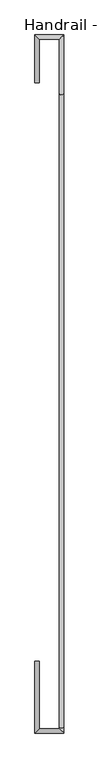
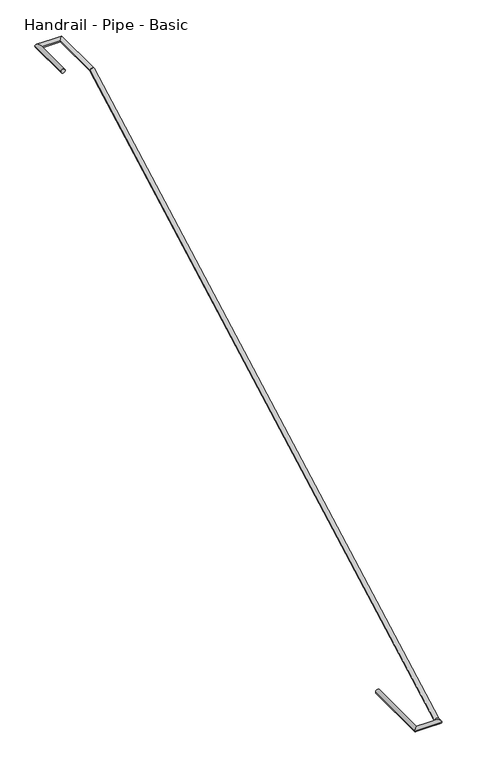
"""IFC4 building model written with IfcOpenShell, lengths in millimetres: railing geometry, Handrail - Pipe - Basic."""

import ifcopenshell
import ifcopenshell.guid

model = None  # the IFC model being written
_history = None  # IfcOwnerHistory: only IFC2X3 demands one
_inside = {}  # id of a spatial element -> (the spatial element, [elements in it])
_under = {}  # id of a project, library or spatial element -> (it, [spatial elements below it])
_declared = {}  # id of a project -> (the project, [libraries it declares])
_typed = {}  # id of a type object -> (the type object, [elements of that type])
_made_of = {}  # id of a material, layer set ... -> (it, [elements and type objects made of it])


def new_model(schema):
    """Start an empty IFC model of exactly this schema.

    Asked for "IFC4X3", IfcOpenShell would pick the latest addendum, in which some entities
    have other attributes; the version numbers below select the first issue.
    IFC2X3 requires an IfcOwnerHistory on every rooted entity: one is made here for all.
    """
    global model, _history
    if schema == "IFC4X3":
        model = ifcopenshell.file(schema_version=(4, 3, 0, 0))
    else:
        model = ifcopenshell.file(schema=schema)
    _inside.clear()
    _under.clear()
    _declared.clear()
    _typed.clear()
    _made_of.clear()
    _history = None
    if model.schema == "IFC2X3":
        org = make("IfcOrganization", Name="unknown")
        user = make(
            "IfcPersonAndOrganization",
            ThePerson=make("IfcPerson", FamilyName="unknown"),
            TheOrganization=org,
        )
        app = make(
            "IfcApplication",
            ApplicationDeveloper=org,
            Version="unknown",
            ApplicationFullName="unknown",
            ApplicationIdentifier="unknown",
        )
        _history = make(
            "IfcOwnerHistory",
            OwningUser=user,
            OwningApplication=app,
            ChangeAction="ADDED",
            CreationDate=0,
        )
    return model


def make(cls, **values):
    """One entity of the class cls with the attributes given. An attribute that is None is left unset."""
    return model.create_entity(
        cls, **{name: value for name, value in values.items() if value is not None}
    )


def rooted(cls, **values):
    """An entity with a GlobalId (a new one), such as an element, a storey or a relation."""
    return make(cls, GlobalId=ifcopenshell.guid.new(), OwnerHistory=_history, **values)


def si_unit(unit_type, name, prefix=None):
    """IfcSIUnit, for example si_unit("LENGTHUNIT", "METRE", prefix="MILLI")."""
    return make("IfcSIUnit", UnitType=unit_type, Prefix=prefix, Name=name)


def assignment(units):
    """IfcUnitAssignment: the units of a project."""
    return None if units is None else make("IfcUnitAssignment", Units=units)


def point(xyz):
    """IfcCartesianPoint."""
    return None if xyz is None else make("IfcCartesianPoint", Coordinates=xyz)


def direction(xyz):
    """IfcDirection."""
    return None if xyz is None else make("IfcDirection", DirectionRatios=xyz)


def frame(location, z_axis=None, x_axis=None):
    """IfcAxis2Placement3D, a coordinate frame: its origin and axes. An axis left out is left unset."""
    return make(
        "IfcAxis2Placement3D",
        Location=point(location),
        Axis=direction(z_axis),
        RefDirection=direction(x_axis),
    )


def origin():
    """The frame at (0, 0, 0) with its axes left unset."""
    return frame((0.0, 0.0, 0.0))


def place(relative_to, where):
    """IfcLocalPlacement: puts the frame where relative to a parent placement (None: the world)."""
    return make(
        "IfcLocalPlacement", PlacementRelTo=relative_to, RelativePlacement=where
    )


def context(
    kind, dimensions, precision=None, world=None, true_north=None, identifier=None
):
    """IfcGeometricRepresentationContext, for example the 3D "Model" context."""
    return make(
        "IfcGeometricRepresentationContext",
        ContextIdentifier=identifier,
        ContextType=kind,
        CoordinateSpaceDimension=dimensions,
        Precision=precision,
        WorldCoordinateSystem=world,
        TrueNorth=true_north,
    )


def project(units=None, contexts=None):
    """IfcProject with its units and contexts."""
    return rooted(
        "IfcProject",
        Name="project",
        RepresentationContexts=contexts,
        UnitsInContext=assignment(units),
    )


def spatial(cls, under=None, at=None, **own):
    """A site, building, storey or space (cls), placed at a placement, below another one or the project."""
    s = rooted(cls, ObjectPlacement=at, **own)
    if under is not None:
        _under.setdefault(under.id(), (under, []))[1].append(s)
    return s


def circle_curve(where, radius):
    """IfcCircle in the frame where."""
    return make("IfcCircle", Position=where, Radius=radius)


def ellipse_curve(where, semi_axis1, semi_axis2):
    """IfcEllipse in the frame where."""
    return make(
        "IfcEllipse", Position=where, SemiAxis1=semi_axis1, SemiAxis2=semi_axis2
    )


def shape(context_of_items, identifier, shape_type, items):
    """IfcShapeRepresentation: the items that make up one representation, for example the "Body"."""
    return make(
        "IfcShapeRepresentation",
        ContextOfItems=context_of_items,
        RepresentationIdentifier=identifier,
        RepresentationType=shape_type,
        Items=items,
    )


def source(mapping_origin, context_of_items, identifier, shape_type, items):
    """IfcRepresentationMap: a shape defined once, which mapped items show again and again."""
    return make(
        "IfcRepresentationMap",
        MappingOrigin=mapping_origin,
        MappedRepresentation=shape(context_of_items, identifier, shape_type, items),
    )


def transform(
    local_origin,
    x_axis=None,
    y_axis=None,
    z_axis=None,
    scale=None,
    scale2=None,
    scale3=None,
    uniform=True,
):
    """IfcCartesianTransformationOperator3D, or its non-uniform kind. x_axis, y_axis, z_axis: its Axis1, 2, 3."""
    if uniform:
        return make(
            "IfcCartesianTransformationOperator3D",
            Axis1=direction(x_axis),
            Axis2=direction(y_axis),
            LocalOrigin=point(local_origin),
            Scale=scale,
            Axis3=direction(z_axis),
        )
    return make(
        "IfcCartesianTransformationOperator3DnonUniform",
        Axis1=direction(x_axis),
        Axis2=direction(y_axis),
        LocalOrigin=point(local_origin),
        Scale=scale,
        Axis3=direction(z_axis),
        Scale2=scale2,
        Scale3=scale3,
    )


def mapped(mapping_source, mapping_target):
    """IfcMappedItem: shows the shape of a source again, moved by a transform."""
    return make(
        "IfcMappedItem", MappingSource=mapping_source, MappingTarget=mapping_target
    )


def made_of(thing, what):
    """Note that an element or type object is made of a material, layer set ...; save() writes the relation."""
    if what is not None:
        _made_of.setdefault(what.id(), (what, []))[1].append(thing)
    return thing


def element(
    cls,
    number,
    at=None,
    inside=None,
    cuts=None,
    type_object=None,
    material=None,
    context=None,
    identifier="Body",
    shape_type=None,
    held_by="IfcProductDefinitionShape",
    body=None,
    shapes=None,
    **own,
):
    """One element of the class cls, such as IfcWall. Its Tag is "e" and its number.

    at: its placement. inside: the storey or other place that contains it. cuts: it is an
    opening in that element (IfcRelVoidsElement). A single representation is given by context,
    identifier, shape_type and body (its items); several are given by shapes. held_by: the class
    of the entity that holds the representations. save() writes the other relations.
    """
    e = rooted(cls, Tag="e%d" % number, ObjectPlacement=at, **own)
    if body is not None:
        shapes = [shape(context, identifier, shape_type, body)]
    if shapes is not None:
        e.Representation = make(held_by, Representations=shapes)
    if inside is not None:
        _inside.setdefault(inside.id(), (inside, []))[1].append(e)
    if cuts is not None:
        rooted(
            "IfcRelVoidsElement", RelatingBuildingElement=cuts, RelatedOpeningElement=e
        )
    if type_object is not None:
        _typed.setdefault(type_object.id(), (type_object, []))[1].append(e)
    return made_of(e, material)


def aggregate(whole, parts):
    """IfcRelAggregates: a whole, such as a stair, and the parts it consists of."""
    return rooted("IfcRelAggregates", RelatingObject=whole, RelatedObjects=parts)


def save(model, path):
    """Write the relations noted so far, then the file.

    IfcRelAggregates (storeys below a building ...), IfcRelContainedInSpatialStructure (elements
    in a storey), IfcRelDefinesByType, IfcRelAssociatesMaterial and IfcRelDeclares: one each for
    every whole, place, type object, material and project.
    """
    for whole, parts in _under.values():
        aggregate(whole, parts)
    for where, things in _inside.values():
        rooted(
            "IfcRelContainedInSpatialStructure",
            RelatedElements=things,
            RelatingStructure=where,
        )
    for kind, things in _typed.values():
        rooted("IfcRelDefinesByType", RelatedObjects=things, RelatingType=kind)
    for what, things in _made_of.values():
        rooted("IfcRelAssociatesMaterial", RelatedObjects=things, RelatingMaterial=what)
    for by, libraries in _declared.values():
        rooted("IfcRelDeclares", RelatingContext=by, RelatedDefinitions=libraries)
    model.write(path)


def plane_surface(at):
    """IfcPlane: the flat surface through the origin of the frame at, square to its z axis."""
    return make("IfcPlane", Position=at)


def cylinder_surface(at, radius):
    """IfcCylindricalSurface: all points at the distance radius from the z axis of the frame at."""
    return make("IfcCylindricalSurface", Position=at, Radius=radius)


def advanced_brep(points, edges, surfaces, faces):
    """IfcAdvancedBrep: a solid bounded by faces that lie on surfaces and meet in shared edges.

    An edge is (start, end): straight between two places in points (the first is 0);
    or (start, end, curve); or (start, end, curve, False) where it runs against its curve.
    A face is (place in surfaces, loops), or (place, loops, False) where it looks against
    its surface's normal. A loop lists edges by number (the first is 1), with a minus sign
    where the edge is run from its end to its start. The first loop is the outer one.
    """
    corners = [point(p) for p in points]
    vertices = [make("IfcVertexPoint", VertexGeometry=c) for c in corners]
    made = []
    for start, end, *more in edges:
        made.append(
            make(
                "IfcEdgeCurve",
                EdgeStart=vertices[start],
                EdgeEnd=vertices[end],
                EdgeGeometry=more[0] if more else make("IfcPolyline", Points=[corners[start], corners[end]]),
                SameSense=more[1] if len(more) > 1 else True,
            )
        )
    hull = []
    for where, loops, *sense in faces:
        bounds = []
        for j, loop in enumerate(loops):
            ring = [make("IfcOrientedEdge", EdgeElement=made[abs(k) - 1], Orientation=k > 0) for k in loop]
            bounds.append(
                make(
                    "IfcFaceOuterBound" if j == 0 else "IfcFaceBound",
                    Bound=make("IfcEdgeLoop", EdgeList=ring),
                    Orientation=True,
                )
            )
        hull.append(make("IfcAdvancedFace", Bounds=bounds, FaceSurface=surfaces[where], SameSense=sense[0] if sense else True))
    return make("IfcAdvancedBrep", Outer=make("IfcClosedShell", CfsFaces=hull))


def handrail_pipe_basic_e7539605(model_context):
    return source(origin(), model_context, "Body", "AdvancedBrep", [
        advanced_brep(
        [(-3668.3805358, -3065.9564983, 666.75), (-3706.4805358, -3065.9564983, 666.75), (-3706.4805358, 2242.6435017, 3562.35), (-3668.3805358, 2242.6435017, 3562.35), (-3871.5805358, -2512.0141343, 666.75), (-3909.6805358, -2512.0141343, 666.75), (-3871.5805358, -3077.1641343, 666.75), (-3909.6805358, -3115.2641343, 666.75), (-3706.4805358, -3077.1641343, 666.75), (-3668.3805358, -3115.2641343, 666.75), (-3706.4805358, 2701.3358657, 3562.35), (-3668.3805358, 2739.4358657, 3562.35), (-3871.5805358, 2701.3358657, 3562.35), (-3909.6805358, 2739.4358657, 3562.35), (-3871.5805358, 2339.3858657, 3562.35), (-3909.6805358, 2339.3858657, 3562.35)],
        [
            (0, 1, ellipse_curve(frame((-3687.4305358, -3065.9564983, 666.75), z_axis=(0.0, 0.9689931818424691, 0.24708746132252005), x_axis=(0.0, 0.24708746132252063, -0.9689931818424687)), 19.6595811, 19.05)),
            (1, 2),
            (2, 3, ellipse_curve(frame((-3687.4305358, 2242.6435017, 3562.35), z_axis=(0.0, -0.9689931818424691, -0.24708746132252002), x_axis=(0.0, 0.24708746132252063, -0.9689931818424689)), 19.6595811, 19.05)),
            (3, 0),
            (1, 0, ellipse_curve(frame((-3687.4305358, -3065.9564983, 666.75), z_axis=(0.0, 0.9689931818424691, 0.24708746132252005), x_axis=(0.0, 0.24708746132252063, -0.9689931818424687)), 19.6595811, 19.05)),
            (3, 2, ellipse_curve(frame((-3687.4305358, 2242.6435017, 3562.35), z_axis=(0.0, -0.9689931818424691, -0.24708746132252002), x_axis=(0.0, 0.24708746132252063, -0.9689931818424689)), 19.6595811, 19.05)),
            (4, 5, circle_curve(frame((-3890.6305358, -2512.0141343, 666.75), z_axis=(0.0, 1.0, 0.0), x_axis=(-1.0, 0.0, 0.0)), 19.05)),
            (5, 4, circle_curve(frame((-3890.6305358, -2512.0141343, 666.75), z_axis=(0.0, 1.0, 0.0), x_axis=(-1.0, 0.0, 0.0)), 19.05)),
            (4, 6),
            (6, 7, ellipse_curve(frame((-3890.6305358, -3096.2141343, 666.75), z_axis=(-0.7071067811865454, 0.7071067811865497, 0.0), x_axis=(0.7071067811865498, 0.7071067811865454, 0.0)), 26.9407684, 19.05)),
            (7, 5),
            (7, 6, ellipse_curve(frame((-3890.6305358, -3096.2141343, 666.75), z_axis=(-0.7071067811865454, 0.7071067811865497, 0.0), x_axis=(0.7071067811865498, 0.7071067811865454, 0.0)), 26.9407684, 19.05)),
            (6, 8),
            (8, 9, ellipse_curve(frame((-3687.4305358, -3096.2141343, 666.75), z_axis=(-0.7071067811865496, -0.7071067811865454, 0.0), x_axis=(-0.7071067811865455, 0.7071067811865496, 0.0)), 26.9407684, 19.05)),
            (9, 7),
            (9, 8, ellipse_curve(frame((-3687.4305358, -3096.2141343, 666.75), z_axis=(-0.7071067811865496, -0.7071067811865454, 0.0), x_axis=(-0.7071067811865455, 0.7071067811865496, 0.0)), 26.9407684, 19.05)),
            (8, 1),
            (0, 9),
            (2, 10),
            (10, 11, ellipse_curve(frame((-3687.4305358, 2720.3858657, 3562.35), z_axis=(0.7071067811865472, -0.7071067811865479, 0.0), x_axis=(-0.707106781186548, -0.7071067811865471, 0.0)), 26.9407684, 19.05)),
            (11, 3),
            (11, 10, ellipse_curve(frame((-3687.4305358, 2720.3858657, 3562.35), z_axis=(0.7071067811865472, -0.7071067811865479, 0.0), x_axis=(-0.707106781186548, -0.7071067811865471, 0.0)), 26.9407684, 19.05)),
            (10, 12),
            (12, 13, ellipse_curve(frame((-3890.6305358, 2720.3858657, 3562.35), z_axis=(0.707106781186548, 0.7071067811865469, 0.0), x_axis=(0.7071067811865472, -0.7071067811865479, 0.0)), 26.9407684, 19.05)),
            (13, 11),
            (13, 12, ellipse_curve(frame((-3890.6305358, 2720.3858657, 3562.35), z_axis=(0.707106781186548, 0.7071067811865469, 0.0), x_axis=(0.7071067811865472, -0.7071067811865479, 0.0)), 26.9407684, 19.05)),
            (14, 15, circle_curve(frame((-3890.6305358, 2339.3858657, 3562.35), z_axis=(0.0, -1.0, 0.0), x_axis=(-1.0, 0.0, 0.0)), 19.05)),
            (15, 14, circle_curve(frame((-3890.6305358, 2339.3858657, 3562.35), z_axis=(0.0, -1.0, 0.0), x_axis=(-1.0, 0.0, 0.0)), 19.05)),
            (12, 14),
            (15, 13),
        ],
        [
            cylinder_surface(frame((-3687.4305358, -3061.6920012, 669.0760893), z_axis=(0.0, -0.8778955729143844, -0.47885213068057336), x_axis=(1.0, 0.0, 0.0)), 19.05),
            plane_surface(frame((-3890.6305358, -2512.0141343, 685.8), z_axis=(0.0, 1.0, 0.0), x_axis=(0.0, 0.0, -1.0))),
            cylinder_surface(frame((-3890.6305358, -2512.0141343, 666.75), z_axis=(0.0, 1.0, 0.0), x_axis=(-1.0, 0.0, 0.0)), 19.05),
            cylinder_surface(frame((-3890.6305358, -3096.2141343, 666.75), z_axis=(-1.0, 0.0, 0.0), x_axis=(0.0, -1.0, 0.0)), 19.05),
            cylinder_surface(frame((-3687.4305358, -3096.2141343, 666.75), z_axis=(0.0, -1.0, 0.0), x_axis=(1.0, 0.0, 0.0)), 19.05),
            cylinder_surface(frame((-3687.4305358, 2237.7858657, 3562.35), z_axis=(0.0, -1.0, 0.0), x_axis=(1.0, 0.0, 0.0)), 19.05),
            cylinder_surface(frame((-3687.4305358, 2720.3858657, 3562.35), z_axis=(1.0, 0.0, 0.0), x_axis=(0.0, 1.0, 0.0)), 19.05),
            plane_surface(frame((-3890.6305358, 2339.3858657, 3581.4), z_axis=(0.0, -1.0, 0.0), x_axis=(0.0, 0.0, -1.0))),
            cylinder_surface(frame((-3890.6305358, 2720.3858657, 3562.35), z_axis=(0.0, 1.0, 0.0), x_axis=(-1.0, 0.0, 0.0)), 19.05),
        ],
        [
            (0, [[1, 2, 3, 4]]),
            (0, [[5, -4, 6, -2]]),
            (1, [[7, 8]]),
            (2, [[-7, 9, 10, 11]]),
            (2, [[-8, -11, 12, -9]]),
            (3, [[-10, 13, 14, 15]]),
            (3, [[-12, -15, 16, -13]]),
            (4, [[-14, 17, -1, 18]]),
            (4, [[-16, -18, -5, -17]]),
            (5, [[-3, 19, 20, 21]]),
            (5, [[-6, -21, 22, -19]]),
            (6, [[-20, 23, 24, 25]]),
            (6, [[-22, -25, 26, -23]]),
            (7, [[27, 28]]),
            (8, [[-24, 29, -28, 30]]),
            (8, [[-26, -30, -27, -29]]),
        ],
    ),
    ])


if __name__ == "__main__":
    model = new_model("IFC4")
    model_context = context("Model", 3, world=origin())
    ifc_project = project(units=[si_unit("LENGTHUNIT", "METRE", prefix="MILLI")], contexts=[model_context])
    site = spatial("IfcSite", under=ifc_project)
    building = spatial("IfcBuilding", under=site)
    placement = place(None, origin())
    handrail_pipe_basic_shape = handrail_pipe_basic_e7539605(model_context)
    element("IfcRailing", 1, ObjectType="Handrail - Pipe - Basic", at=placement, inside=building, context=model_context, shape_type="MappedRepresentation", body=[
        mapped(handrail_pipe_basic_shape, transform((0.0, 0.0, 0.0), x_axis=(1.0, 0.0, 0.0), y_axis=(0.0, 1.0, 0.0), z_axis=(0.0, 0.0, 1.0))),
    ])
    save(model, "model.ifc")
